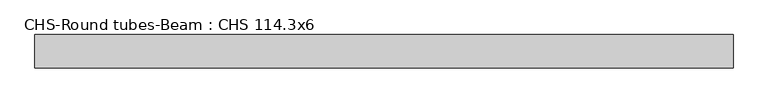
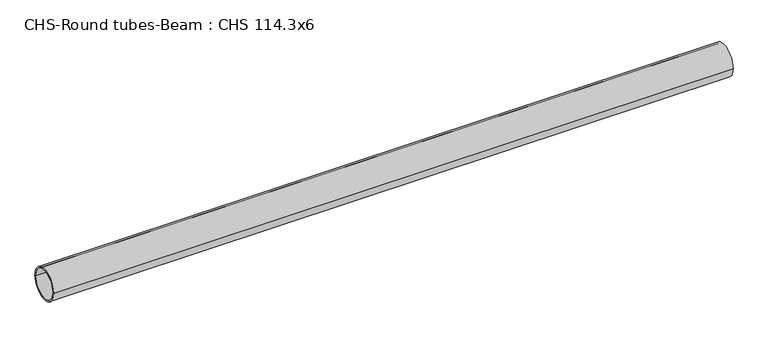
"""IFC4 building model written with IfcOpenShell, lengths in millimetres: beam geometry, CHS-Round tubes-Beam : CHS 114.3x6."""

from ifc_helpers import new_model, si_unit, point, frame, origin, origin_2d, place, context, project, spatial, circle_curve, trimmed, segment, composite_curve, outline, extrude, source, transform, mapped, element, save


def chs_round_tubes_beam_chs_114_3x6_a5425529(model_context):
    return source(origin(), model_context, "Body", "SweptSolid", [
        extrude(outline(composite_curve([segment(trimmed(circle_curve(origin_2d(), 57.15), [point((57.15, 0.0))], [point((-57.15, 0.0))], False, "CARTESIAN"), True, "CONTINUOUS"), segment(trimmed(circle_curve(origin_2d(), 57.15), [point((-57.15, 0.0))], [point((57.15, 0.0))], False, "CARTESIAN"), True, "CONTINUOUS")], self_intersect=False), holes=[composite_curve([segment(trimmed(circle_curve(origin_2d(), 51.15), [point((51.15, 0.0))], [point((-51.15, 0.0))], True, "CARTESIAN"), True, "CONTINUOUS"), segment(trimmed(circle_curve(origin_2d(), 51.15), [point((-51.15, 0.0))], [point((51.15, 0.0))], True, "CARTESIAN"), True, "CONTINUOUS")], self_intersect=False)]), frame((-1147.5140712, 0.0, 0.0), z_axis=(1.0, 0.0, 0.0), x_axis=(0.0, 1.0, 0.0)), (0.0, 0.0, 1.0), 2393.5627494),
    ])


if __name__ == "__main__":
    model = new_model("IFC4")
    model_context = context("Model", 3, world=origin())
    ifc_project = project(units=[si_unit("LENGTHUNIT", "METRE", prefix="MILLI")], contexts=[model_context])
    site = spatial("IfcSite", under=ifc_project)
    building = spatial("IfcBuilding", under=site)
    placement = place(None, origin())
    chs_round_tubes_beam_chs_114_3x6_shape = chs_round_tubes_beam_chs_114_3x6_a5425529(model_context)
    element("IfcBeam", 1, ObjectType="CHS-Round tubes-Beam : CHS 114.3x6", at=placement, inside=building, context=model_context, shape_type="MappedRepresentation", body=[
        mapped(chs_round_tubes_beam_chs_114_3x6_shape, transform((0.0, 0.0, 0.0), x_axis=(1.0, 0.0, 0.0), y_axis=(0.0, 1.0, 0.0), z_axis=(0.0, 0.0, 1.0))),
    ])
    save(model, "model.ifc")
